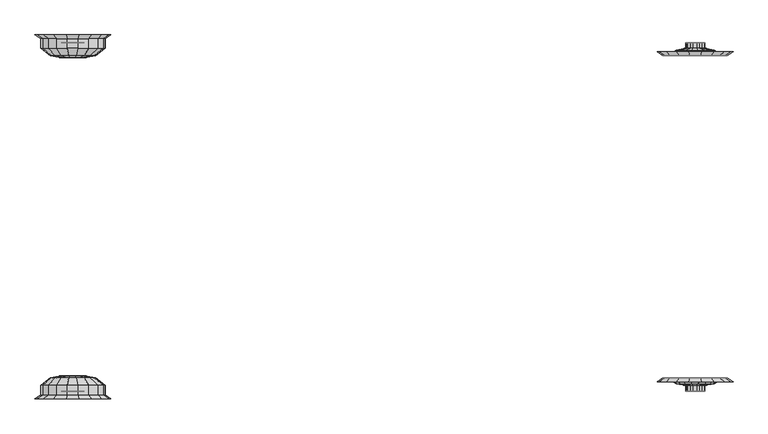
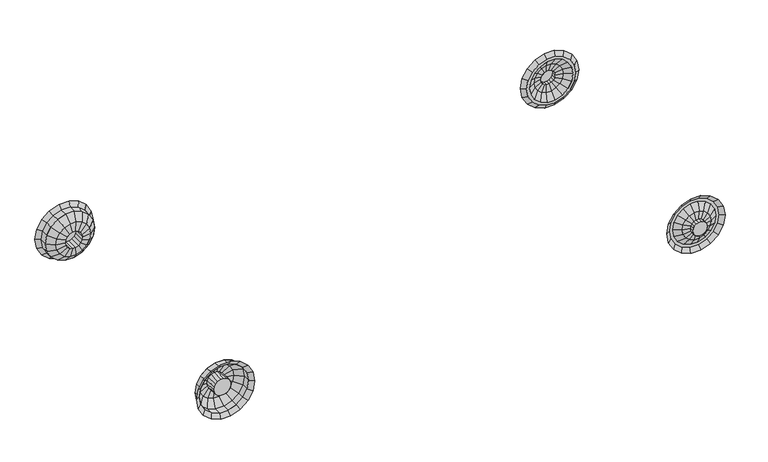
"""IFC4 building model written with IfcOpenShell, lengths in millimetres: proxy geometry."""

from ifc_helpers import new_model, si_unit, origin, place, context, project, spatial, triangles, source, transform, mapped, element, save


def entourage_7b92b9a3(model_context):
    return source(origin(), model_context, "Body", "Tessellation", [
        triangles([(-577.8500121, -1079.5000242, 558.6779629), (-565.1499879, -1079.5000242, 580.674985), (-507.711052, -1079.5000242, 532.4779633), (-527.1685853, -1079.5000242, 516.1511619), (-706.1799334, -1079.5000242, 581.3059785), (-710.5907106, -1079.5000242, 606.320113), (-635.6092409, -1079.5000242, 606.320113), (-640.0200182, -1079.5000242, 581.3059785), (-546.0999879, -1104.9, 613.6705364), (-478.5246795, -1104.9, 556.9681472), (-628.9933657, -1104.9, 643.8412966), (-717.2065859, -1104.9, 643.8412966), (-695.1532808, -1117.6000242, 518.7706967), (-651.0466707, -1117.6000242, 518.7706967), (-819.0314026, -1079.5000242, 516.1511619), (-838.4891539, -1079.5000242, 532.4779633), (-781.05, -1079.5000242, 580.674985), (-768.3499758, -1079.5000242, 558.6779629), (-867.6753084, -1104.9, 556.9681472), (-800.1, -1104.9, 613.6705364), (-684.1266283, -1168.3999758, 456.2353786), (-684.1266283, -1130.2999758, 456.2353786), (-662.0733232, -1130.2999758, 456.2353786), (-662.0733232, -1168.3999758, 456.2353786), (-624.4560699, -1168.3999758, 434.5171185), (-624.4560699, -1130.2999758, 434.5171185), (-613.4296354, -1130.2999758, 415.418357), (-613.4296354, -1168.3999758, 415.418357), (-641.3500242, -1168.3999758, 448.6927068), (-641.3500242, -1130.2999758, 448.6927068), (-721.7439543, -1168.3999758, 434.5171185), (-721.7439543, -1130.2999758, 434.5171185), (-704.85, -1130.2999758, 448.6927068), (-704.85, -1168.3999758, 448.6927068), (-575.8123458, -1117.6000242, 475.3341039), (-553.7590407, -1117.6000242, 437.1366534), (-609.6, -1117.6000242, 503.685353), (-609.6, -1168.3999758, 393.7000969), (-609.6, -1130.2999758, 393.7000969), (-613.4296354, -1130.2999758, 371.9818368), (-613.4296354, -1168.3999758, 371.9818368), (-673.0999758, -1168.3999758, 393.7000969), (-624.4560699, -1168.3999758, 352.8830752), (-624.4560699, -1130.2999758, 352.8830752), (-641.3500242, -1130.2999758, 338.707487), (-641.3500242, -1168.3999758, 338.707487), (-704.85, -1168.3999758, 338.707487), (-704.85, -1130.2999758, 338.707487), (-721.7439543, -1130.2999758, 352.8830752), (-721.7439543, -1168.3999758, 352.8830752), (-684.1266283, -1168.3999758, 331.1648151), (-684.1266283, -1130.2999758, 331.1648151), (-662.0733232, -1168.3999758, 331.1648151), (-662.0733232, -1130.2999758, 331.1648151), (-553.7590407, -1117.6000242, 350.2635404), (-575.8123458, -1117.6000242, 312.0660899), (-546.0999879, -1117.6000242, 393.7000969), (-482.6000121, -1079.5000242, 393.7000969), (-494.088446, -1079.5000242, 328.5452439), (-494.088446, -1079.5000242, 458.8549499), (-457.2, -1079.5000242, 393.7000969), (-419.1, -1104.9, 393.7000969), (-434.4180694, -1104.9, 306.8269838), (-470.2203172, -1079.5000242, 319.8579472), (-470.2203172, -1079.5000242, 467.5422466), (-434.4180694, -1104.9, 480.5731736), (-527.1685853, -1079.5000242, 271.2490683), (-507.711052, -1079.5000242, 254.9222487), (-565.1499879, -1079.5000242, 206.7252269), (-577.8500121, -1079.5000242, 228.7222491), (-640.0200182, -1079.5000242, 206.0942335), (-635.6092409, -1079.5000242, 181.080099), (-710.5907106, -1079.5000242, 181.080099), (-706.1799334, -1079.5000242, 206.0942335), (-628.9933657, -1104.9, 143.5589245), (-717.2065859, -1104.9, 143.5589245), (-651.0466707, -1117.6000242, 268.6295152), (-695.1532808, -1117.6000242, 268.6295152), (-546.0999879, -1104.9, 173.7296574), (-609.6, -1117.6000242, 283.7148771), (-478.5246795, -1104.9, 230.4320284), (-852.1115782, -1079.5000242, 328.5452439), (-875.9796707, -1079.5000242, 319.8579472), (-889.0000242, -1079.5000242, 393.7000969), (-863.5999758, -1079.5000242, 393.7000969), (-875.9796707, -1079.5000242, 467.5422466), (-852.1115782, -1079.5000242, 458.8549499), (-732.7703888, -1168.3999758, 371.9818368), (-732.7703888, -1130.2999758, 371.9818368), (-736.6000242, -1130.2999758, 393.7000969), (-736.6000242, -1168.3999758, 393.7000969), (-792.4409472, -1117.6000242, 350.2635404), (-800.1, -1117.6000242, 393.7000969), (-792.4409472, -1117.6000242, 437.1366534), (-732.7703888, -1130.2999758, 415.418357), (-732.7703888, -1168.3999758, 415.418357), (-911.7819185, -1104.9, 306.8269838), (-927.1000242, -1104.9, 393.7000969), (-911.7819185, -1104.9, 480.5731736), (-768.3499758, -1079.5000242, 228.7222491), (-781.05, -1079.5000242, 206.7252269), (-838.4891539, -1079.5000242, 254.9222487), (-819.0314026, -1079.5000242, 271.2490683), (-800.1, -1104.9, 173.7296574), (-867.6753084, -1104.9, 230.4320284), (-770.3876421, -1117.6000242, 312.0660899), (-736.6000242, -1117.6000242, 283.7148771), (-770.3876421, -1117.6000242, 475.3341039), (-736.6000242, -1117.6000242, 503.685353), (-4812.2362083, -1079.5000242, 543.7848312), (-4801.2092651, -1130.2999758, 606.320113), (-4730.7499031, -1130.2999758, 580.674985), (-4762.5, -1079.5000242, 525.6823388), (-4914.9, -1079.5000242, 525.6823388), (-4946.6498062, -1130.2999758, 580.674985), (-4876.1907349, -1130.2999758, 606.320113), (-4865.1637917, -1079.5000242, 543.7848312), (-4730.7499031, -1193.8000242, 580.674985), (-4711.6999031, -1219.2, 613.6705364), (-4644.1246674, -1219.2, 556.9681472), (-4673.3109673, -1193.8000242, 532.4779633), (-4801.2092651, -1193.8000242, 606.320113), (-4794.5933899, -1219.2, 643.8412966), (-4946.6498062, -1193.8000242, 580.674985), (-4965.6998062, -1219.2, 613.6705364), (-4882.8066101, -1219.2, 643.8412966), (-4876.1907349, -1193.8000242, 606.320113), (-5004.0893234, -1193.8000242, 532.4779633), (-5033.2753326, -1219.2, 556.9681472), (-4673.3109673, -1130.2999758, 532.4779633), (-5004.0893234, -1130.2999758, 532.4779633), (-4780.3276909, -1066.8, 442.6805374), (-4721.9548004, -1079.5000242, 491.6609416), (-4695.4910088, -1079.5000242, 445.8239502), (-4767.095359, -1066.8, 419.7620235), (-4762.5, -1066.8, 393.7000969), (-4686.3, -1079.5000242, 393.7000969), (-4695.4910088, -1079.5000242, 341.5762073), (-4767.095359, -1066.8, 367.6381702), (-4838.7, -1168.3999758, 393.7000969), (-4762.5, -1168.3999758, 393.7000969), (-4767.095359, -1168.3999758, 367.6381702), (-4800.6, -1168.3999758, 327.7089578), (-4825.4679588, -1168.3999758, 318.6577661), (-4780.3276909, -1168.3999758, 344.7196927), (-4767.095359, -1168.3999758, 419.7620235), (-4780.3276909, -1168.3999758, 442.6805374), (-4800.6, -1168.3999758, 459.691236), (-4825.4679588, -1168.3999758, 468.7424641), (-4800.6, -1066.8, 327.7089578), (-4825.4679588, -1066.8, 318.6577661), (-4780.3276909, -1066.8, 344.7196927), (-4622.8000969, -1130.2999758, 393.7000969), (-4635.8205231, -1130.2999758, 319.8579472), (-4635.8205231, -1130.2999758, 467.5422466), (-4800.6, -1066.8, 459.691236), (-4825.4679588, -1066.8, 468.7424641), (-4762.5, -1079.5000242, 261.7178368), (-4730.7499031, -1130.2999758, 206.7252269), (-4801.2092651, -1130.2999758, 181.080099), (-4812.2362083, -1079.5000242, 243.6153807), (-4721.9548004, -1079.5000242, 295.7392704), (-4673.3109673, -1130.2999758, 254.9222487), (-4910.3043503, -1066.8, 419.7620235), (-4981.9092819, -1079.5000242, 445.8239502), (-4955.4451996, -1079.5000242, 491.6609416), (-4897.0725998, -1066.8, 442.6805374), (-4910.3043503, -1066.8, 367.6381702), (-4981.9092819, -1079.5000242, 341.5762073), (-4991.1, -1079.5000242, 393.7000969), (-4914.9, -1066.8, 393.7000969), (-5041.5794769, -1130.2999758, 319.8579472), (-5054.6001938, -1130.2999758, 393.7000969), (-4910.3043503, -1168.3999758, 367.6381702), (-4914.9, -1168.3999758, 393.7000969), (-4897.0725998, -1168.3999758, 344.7196927), (-4897.0725998, -1066.8, 344.7196927), (-4876.8, -1168.3999758, 327.7089578), (-4876.8, -1066.8, 327.7089578), (-4851.9320412, -1168.3999758, 318.6577661), (-4851.9320412, -1066.8, 318.6577661), (-4876.8, -1168.3999758, 459.691236), (-4876.8, -1066.8, 459.691236), (-4851.9320412, -1066.8, 468.7424641), (-4851.9320412, -1168.3999758, 468.7424641), (-4897.0725998, -1168.3999758, 442.6805374), (-4910.3043503, -1168.3999758, 419.7620235), (-5041.5794769, -1130.2999758, 467.5422466), (-4914.9, -1079.5000242, 261.7178368), (-4946.6498062, -1130.2999758, 206.7252269), (-5004.0893234, -1130.2999758, 254.9222487), (-4955.4451996, -1079.5000242, 295.7392704), (-4865.1637917, -1079.5000242, 243.6153807), (-4876.1907349, -1130.2999758, 181.080099), (-4622.8000969, -1193.8000242, 393.7000969), (-4584.7000969, -1219.2, 393.7000969), (-4600.0180573, -1219.2, 306.8269838), (-4635.8205231, -1193.8000242, 319.8579472), (-4635.8205231, -1193.8000242, 467.5422466), (-4600.0180573, -1219.2, 480.5731736), (-4730.7499031, -1193.8000242, 206.7252269), (-4711.6999031, -1219.2, 173.7296755), (-4794.5933899, -1219.2, 143.5589335), (-4801.2092651, -1193.8000242, 181.0801171), (-4673.3109673, -1193.8000242, 254.9222487), (-4644.1246674, -1219.2, 230.4320284), (-5041.5794769, -1193.8000242, 319.8579472), (-5077.3819427, -1219.2, 306.8269838), (-5092.7001938, -1219.2, 393.7000969), (-5054.6001938, -1193.8000242, 393.7000969), (-5077.3819427, -1219.2, 480.5731736), (-5041.5794769, -1193.8000242, 467.5422466), (-4946.6498062, -1193.8000242, 206.7252269), (-4965.6998062, -1219.2, 173.7296755), (-5033.2753326, -1219.2, 230.4320284), (-5004.0893234, -1193.8000242, 254.9222487), (-4876.1907349, -1193.8000242, 181.0801171), (-4882.8066101, -1219.2, 143.5589335), (-565.1499879, 1079.5000242, 580.674767), (-577.8500121, 1079.5000242, 558.6777812), (-507.711052, 1079.5000242, 532.4777816), (-527.1685853, 1079.5000242, 516.1509439), (-710.5907106, 1079.5000242, 606.3199313), (-706.1799334, 1079.5000242, 581.3057968), (-635.6092409, 1079.5000242, 606.3199313), (-640.0200182, 1079.5000242, 581.3057968), (-546.0999879, 1104.9, 613.6703184), (-478.5246795, 1104.9, 556.9679292), (-628.9933657, 1104.9, 643.8410786), (-717.2065859, 1104.9, 643.8410786), (-695.1532808, 1117.6000242, 518.7705151), (-651.0466707, 1117.6000242, 518.7705151), (-838.4891539, 1079.5000242, 532.4777816), (-819.0314026, 1079.5000242, 516.1509439), (-781.05, 1079.5000242, 580.674767), (-768.3499758, 1079.5000242, 558.6777812), (-867.6753084, 1104.9, 556.9679292), (-800.1, 1104.9, 613.6703184), (-684.1266283, 1130.2999758, 456.235197), (-684.1266283, 1168.3999758, 456.235197), (-662.0733232, 1130.2999758, 456.235197), (-662.0733232, 1168.3999758, 456.235197), (-624.4560699, 1130.2999758, 434.5169369), (-624.4560699, 1168.3999758, 434.5169369), (-613.4296354, 1130.2999758, 415.418139), (-613.4296354, 1168.3999758, 415.418139), (-641.3500242, 1130.2999758, 448.6925251), (-641.3500242, 1168.3999758, 448.6925251), (-721.7439543, 1130.2999758, 434.5169369), (-721.7439543, 1168.3999758, 434.5169369), (-704.85, 1130.2999758, 448.6925251), (-704.85, 1168.3999758, 448.6925251), (-575.8123458, 1117.6000242, 475.3339222), (-553.7590407, 1117.6000242, 437.1364354), (-609.6, 1117.6000242, 503.685135), (-609.6, 1130.2999758, 393.6999152), (-609.6, 1168.3999758, 393.6999152), (-613.4296354, 1130.2999758, 371.9816188), (-613.4296354, 1168.3999758, 371.9816188), (-673.0999758, 1168.3999758, 393.6999152), (-624.4560699, 1130.2999758, 352.8828936), (-624.4560699, 1168.3999758, 352.8828936), (-641.3500242, 1130.2999758, 338.707269), (-641.3500242, 1168.3999758, 338.707269), (-704.85, 1130.2999758, 338.707269), (-704.85, 1168.3999758, 338.707269), (-721.7439543, 1130.2999758, 352.8828936), (-721.7439543, 1168.3999758, 352.8828936), (-684.1266283, 1130.2999758, 331.1646335), (-684.1266283, 1168.3999758, 331.1646335), (-662.0733232, 1130.2999758, 331.1646335), (-662.0733232, 1168.3999758, 331.1646335), (-553.7590407, 1117.6000242, 350.2633224), (-575.8123458, 1117.6000242, 312.0658719), (-546.0999879, 1117.6000242, 393.6999152), (-482.6000121, 1079.5000242, 393.6999152), (-494.088446, 1079.5000242, 328.5450623), (-494.088446, 1079.5000242, 458.8547318), (-419.1, 1104.9, 393.6999152), (-457.2, 1079.5000242, 393.6999152), (-434.4180694, 1104.9, 306.8268022), (-470.2203172, 1079.5000242, 319.8577655), (-434.4180694, 1104.9, 480.5729919), (-470.2203172, 1079.5000242, 467.542065), (-507.711052, 1079.5000242, 254.922067), (-527.1685853, 1079.5000242, 271.2488684), (-565.1499879, 1079.5000242, 206.7250271), (-577.8500121, 1079.5000242, 228.7220674), (-635.6092409, 1079.5000242, 181.0799173), (-640.0200182, 1079.5000242, 206.0940336), (-710.5907106, 1079.5000242, 181.0799173), (-706.1799334, 1079.5000242, 206.0940336), (-628.9933657, 1104.9, 143.5587246), (-717.2065859, 1104.9, 143.5587246), (-651.0466707, 1117.6000242, 268.6293154), (-695.1532808, 1117.6000242, 268.6293154), (-546.0999879, 1104.9, 173.7294575), (-609.6, 1117.6000242, 283.7146773), (-478.5246795, 1104.9, 230.4318468), (-875.9796707, 1079.5000242, 319.8577655), (-852.1115782, 1079.5000242, 328.5450623), (-889.0000242, 1079.5000242, 393.6999152), (-863.5999758, 1079.5000242, 393.6999152), (-875.9796707, 1079.5000242, 467.542065), (-852.1115782, 1079.5000242, 458.8547318), (-732.7703888, 1130.2999758, 371.9816188), (-732.7703888, 1168.3999758, 371.9816188), (-736.6000242, 1130.2999758, 393.6999152), (-736.6000242, 1168.3999758, 393.6999152), (-792.4409472, 1117.6000242, 350.2633224), (-800.1, 1117.6000242, 393.6999152), (-792.4409472, 1117.6000242, 437.1364354), (-732.7703888, 1130.2999758, 415.418139), (-732.7703888, 1168.3999758, 415.418139), (-911.7819185, 1104.9, 306.8268022), (-927.1000242, 1104.9, 393.6999152), (-911.7819185, 1104.9, 480.5729919), (-781.05, 1079.5000242, 206.7250271), (-768.3499758, 1079.5000242, 228.7220674), (-838.4891539, 1079.5000242, 254.922067), (-819.0314026, 1079.5000242, 271.2488684), (-800.1, 1104.9, 173.7294575), (-867.6753084, 1104.9, 230.4318468), (-770.3876421, 1117.6000242, 312.0658719), (-736.6000242, 1117.6000242, 283.7146773), (-770.3876421, 1117.6000242, 475.3339222), (-736.6000242, 1117.6000242, 503.685135), (-4801.2092651, 1130.2999758, 606.3199313), (-4812.2362083, 1079.5000242, 543.7846496), (-4730.7499031, 1130.2999758, 580.674767), (-4762.5, 1079.5000242, 525.6821571), (-4946.6498062, 1130.2999758, 580.674767), (-4914.9, 1079.5000242, 525.6821571), (-4876.1907349, 1130.2999758, 606.3199313), (-4865.1637917, 1079.5000242, 543.7846496), (-4711.6999031, 1219.2, 613.6703184), (-4730.7499031, 1193.8000242, 580.674767), (-4644.1246674, 1219.2, 556.9679292), (-4673.3109673, 1193.8000242, 532.4777816), (-4794.5933899, 1219.2, 643.8410786), (-4801.2092651, 1193.8000242, 606.3199313), (-4965.6998062, 1219.2, 613.6703184), (-4946.6498062, 1193.8000242, 580.674767), (-4882.8066101, 1219.2, 643.8410786), (-4876.1907349, 1193.8000242, 606.3199313), (-5033.2753326, 1219.2, 556.9679292), (-5004.0893234, 1193.8000242, 532.4777816), (-4673.3109673, 1130.2999758, 532.4777816), (-5004.0893234, 1130.2999758, 532.4777816), (-4721.9548004, 1079.5000242, 491.6607236), (-4780.3276909, 1066.8, 442.6803557), (-4695.4910088, 1079.5000242, 445.8237685), (-4767.095359, 1066.8, 419.7618419), (-4686.3, 1079.5000242, 393.6999152), (-4762.5, 1066.8, 393.6999152), (-4695.4910088, 1079.5000242, 341.5760256), (-4767.095359, 1066.8, 367.6379886), (-4762.5, 1168.3999758, 393.6999152), (-4838.7, 1168.3999758, 393.6999152), (-4767.095359, 1168.3999758, 367.6379886), (-4800.6, 1168.3999758, 327.7087761), (-4825.4679588, 1168.3999758, 318.657548), (-4780.3276909, 1168.3999758, 344.7194747), (-4767.095359, 1168.3999758, 419.7618419), (-4780.3276909, 1168.3999758, 442.6803557), (-4800.6, 1168.3999758, 459.691018), (-4825.4679588, 1168.3999758, 468.7422824), (-4800.6, 1066.8, 327.7087761), (-4825.4679588, 1066.8, 318.657548), (-4780.3276909, 1066.8, 344.7194747), (-4622.8000969, 1130.2999758, 393.6999152), (-4635.8205231, 1130.2999758, 319.8577655), (-4635.8205231, 1130.2999758, 467.542065), (-4800.6, 1066.8, 459.691018), (-4825.4679588, 1066.8, 468.7422824), (-4730.7499031, 1130.2999758, 206.7250271), (-4762.5, 1079.5000242, 261.7176551), (-4801.2092651, 1130.2999758, 181.0799173), (-4812.2362083, 1079.5000242, 243.615199), (-4673.3109673, 1130.2999758, 254.922067), (-4721.9548004, 1079.5000242, 295.7390705), (-4981.9092819, 1079.5000242, 445.8237685), (-4910.3043503, 1066.8, 419.7618419), (-4955.4451996, 1079.5000242, 491.6607236), (-4897.0725998, 1066.8, 442.6803557), (-4981.9092819, 1079.5000242, 341.5760256), (-4910.3043503, 1066.8, 367.6379886), (-4991.1, 1079.5000242, 393.6999152), (-4914.9, 1066.8, 393.6999152), (-5041.5794769, 1130.2999758, 319.8577655), (-5054.6001938, 1130.2999758, 393.6999152), (-4910.3043503, 1168.3999758, 367.6379886), (-4914.9, 1168.3999758, 393.6999152), (-4897.0725998, 1066.8, 344.7194747), (-4897.0725998, 1168.3999758, 344.7194747), (-4876.8, 1066.8, 327.7087761), (-4876.8, 1168.3999758, 327.7087761), (-4851.9320412, 1066.8, 318.657548), (-4851.9320412, 1168.3999758, 318.657548), (-4876.8, 1066.8, 459.691018), (-4876.8, 1168.3999758, 459.691018), (-4851.9320412, 1066.8, 468.7422824), (-4851.9320412, 1168.3999758, 468.7422824), (-4897.0725998, 1168.3999758, 442.6803557), (-4910.3043503, 1168.3999758, 419.7618419), (-5041.5794769, 1130.2999758, 467.542065), (-4946.6498062, 1130.2999758, 206.7250271), (-4914.9, 1079.5000242, 261.7176551), (-5004.0893234, 1130.2999758, 254.922067), (-4955.4451996, 1079.5000242, 295.7390705), (-4876.1907349, 1130.2999758, 181.0799173), (-4865.1637917, 1079.5000242, 243.615199), (-4584.7000969, 1219.2, 393.6999152), (-4622.8000969, 1193.8000242, 393.6999152), (-4600.0180573, 1219.2, 306.8268022), (-4635.8205231, 1193.8000242, 319.8577655), (-4600.0180573, 1219.2, 480.5729919), (-4635.8205231, 1193.8000242, 467.542065), (-4711.6999031, 1219.2, 173.7294575), (-4730.7499031, 1193.8000242, 206.7250271), (-4794.5933899, 1219.2, 143.5587155), (-4801.2092651, 1193.8000242, 181.0798991), (-4644.1246674, 1219.2, 230.4318468), (-4673.3109673, 1193.8000242, 254.922067), (-5077.3819427, 1219.2, 306.8268022), (-5041.5794769, 1193.8000242, 319.8577655), (-5092.7001938, 1219.2, 393.6999152), (-5054.6001938, 1193.8000242, 393.6999152), (-5077.3819427, 1219.2, 480.5729919), (-5041.5794769, 1193.8000242, 467.542065), (-4965.6998062, 1219.2, 173.7294575), (-4946.6498062, 1193.8000242, 206.7250271), (-5033.2753326, 1219.2, 230.4318468), (-5004.0893234, 1193.8000242, 254.922067), (-4882.8066101, 1219.2, 143.5587155), (-4876.1907349, 1193.8000242, 181.0798991)], [[1, 2, 3], [3, 4, 1], [5, 6, 7], [7, 8, 5], [8, 7, 2], [2, 1, 8], [2, 9, 10], [10, 3, 2], [7, 11, 9], [9, 2, 7], [6, 12, 11], [11, 7, 6], [13, 5, 8], [8, 14, 13], [15, 16, 17], [17, 18, 15], [16, 19, 20], [20, 17, 16], [17, 20, 12], [12, 6, 17], [18, 17, 6], [6, 5, 18], [21, 22, 23], [23, 24, 21], [25, 26, 27], [27, 28, 25], [29, 30, 26], [26, 25, 29], [31, 32, 33], [33, 34, 31], [24, 23, 30], [30, 29, 24], [34, 33, 22], [22, 21, 34], [26, 35, 36], [36, 27, 26], [30, 37, 35], [35, 26, 30], [38, 39, 40], [40, 41, 38], [42, 38, 41], [43, 44, 45], [45, 46, 43], [47, 48, 49], [49, 50, 47], [51, 52, 48], [48, 47, 51], [53, 54, 52], [52, 51, 53], [46, 45, 54], [54, 53, 46], [42, 47, 50], [42, 51, 47], [42, 53, 51], [42, 46, 53], [42, 43, 46], [41, 40, 44], [44, 43, 41], [42, 41, 43], [40, 55, 56], [56, 44, 40], [39, 57, 55], [55, 40, 39], [27, 36, 57], [57, 39, 27], [28, 27, 39], [39, 38, 28], [42, 28, 38], [42, 25, 28], [42, 29, 25], [42, 24, 29], [42, 21, 24], [42, 34, 21], [42, 31, 34], [57, 58, 59], [59, 55, 57], [36, 60, 58], [58, 57, 36], [61, 62, 63], [63, 64, 61], [58, 61, 64], [64, 59, 58], [65, 66, 62], [62, 61, 65], [60, 65, 61], [61, 58, 60], [67, 68, 69], [69, 70, 67], [71, 72, 73], [73, 74, 71], [70, 69, 72], [72, 71, 70], [72, 75, 76], [76, 73, 72], [77, 71, 74], [74, 78, 77], [69, 79, 75], [75, 72, 69], [80, 70, 71], [71, 77, 80], [68, 81, 79], [79, 69, 68], [54, 77, 78], [78, 52, 54], [45, 80, 77], [77, 54, 45], [56, 67, 70], [70, 80, 56], [44, 56, 80], [80, 45, 44], [64, 63, 81], [81, 68, 64], [59, 64, 68], [68, 67, 59], [55, 59, 67], [67, 56, 55], [82, 83, 84], [84, 85, 82], [85, 84, 86], [86, 87, 85], [88, 89, 90], [90, 91, 88], [89, 92, 93], [93, 90, 89], [90, 93, 94], [94, 95, 90], [91, 90, 95], [95, 96, 91], [83, 97, 98], [98, 84, 83], [92, 82, 85], [85, 93, 92], [84, 98, 99], [99, 86, 84], [93, 85, 87], [87, 94, 93], [100, 101, 102], [102, 103, 100], [101, 104, 105], [105, 102, 101], [102, 105, 97], [97, 83, 102], [103, 102, 83], [83, 82, 103], [106, 103, 82], [82, 92, 106], [107, 100, 103], [103, 106, 107], [42, 88, 91], [49, 106, 92], [92, 89, 49], [50, 49, 89], [89, 88, 50], [42, 50, 88], [48, 107, 106], [106, 49, 48], [73, 76, 104], [104, 101, 73], [74, 73, 101], [101, 100, 74], [78, 74, 100], [100, 107, 78], [52, 78, 107], [107, 48, 52], [32, 108, 109], [109, 33, 32], [95, 94, 108], [108, 32, 95], [96, 95, 32], [32, 31, 96], [42, 96, 31], [42, 91, 96], [3, 10, 66], [66, 65, 3], [4, 3, 65], [65, 60, 4], [35, 4, 60], [60, 36, 35], [37, 1, 4], [4, 35, 37], [14, 8, 1], [1, 37, 14], [23, 14, 37], [37, 30, 23], [22, 13, 14], [14, 23, 22], [109, 18, 5], [5, 13, 109], [33, 109, 13], [13, 22, 33], [108, 15, 18], [18, 109, 108], [86, 99, 19], [19, 16, 86], [87, 86, 16], [16, 15, 87], [94, 87, 15], [15, 108, 94], [110, 111, 112], [112, 113, 110], [114, 115, 116], [116, 117, 114], [117, 116, 111], [111, 110, 117], [118, 119, 120], [120, 121, 118], [122, 123, 119], [119, 118, 122], [124, 125, 126], [126, 127, 124], [128, 129, 125], [125, 124, 128], [127, 126, 123], [123, 122, 127], [112, 118, 121], [121, 130, 112], [111, 122, 118], [118, 112, 111], [116, 127, 122], [122, 111, 116], [115, 124, 127], [127, 116, 115], [131, 128, 124], [124, 115, 131], [132, 133, 134], [134, 135, 132], [136, 137, 138], [138, 139, 136], [135, 134, 137], [137, 136, 135], [140, 141, 142], [140, 143, 144], [140, 145, 143], [140, 142, 145], [140, 146, 141], [140, 147, 146], [140, 148, 147], [140, 149, 148], [143, 150, 151], [151, 144, 143], [145, 152, 150], [150, 143, 145], [142, 139, 152], [152, 145, 142], [137, 153, 154], [154, 138, 137], [141, 136, 139], [139, 142, 141], [134, 155, 153], [153, 137, 134], [146, 135, 136], [136, 141, 146], [147, 132, 135], [135, 146, 147], [148, 156, 132], [132, 147, 148], [149, 157, 156], [156, 148, 149], [158, 159, 160], [160, 161, 158], [162, 163, 159], [159, 158, 162], [150, 158, 161], [161, 151, 150], [152, 162, 158], [158, 150, 152], [138, 154, 163], [163, 162, 138], [139, 138, 162], [162, 152, 139], [164, 165, 166], [166, 167, 164], [168, 169, 170], [170, 171, 168], [171, 170, 165], [165, 164, 171], [169, 172, 173], [173, 170, 169], [174, 168, 171], [171, 175, 174], [176, 177, 168], [168, 174, 176], [178, 179, 177], [177, 176, 178], [180, 181, 179], [179, 178, 180], [182, 183, 184], [184, 185, 182], [186, 167, 183], [183, 182, 186], [187, 164, 167], [167, 186, 187], [170, 173, 188], [188, 165, 170], [175, 171, 164], [164, 187, 175], [189, 190, 191], [191, 192, 189], [193, 194, 190], [190, 189, 193], [192, 191, 172], [172, 169, 192], [177, 192, 169], [169, 168, 177], [179, 189, 192], [192, 177, 179], [181, 193, 189], [189, 179, 181], [140, 174, 175], [140, 176, 174], [140, 178, 176], [140, 180, 178], [161, 160, 194], [194, 193, 161], [151, 161, 193], [193, 181, 151], [144, 151, 181], [181, 180, 144], [140, 144, 180], [185, 184, 157], [157, 149, 185], [140, 185, 149], [140, 182, 185], [140, 186, 182], [140, 187, 186], [140, 175, 187], [195, 196, 197], [197, 198, 195], [199, 200, 196], [196, 195, 199], [201, 202, 203], [203, 204, 201], [205, 206, 202], [202, 201, 205], [198, 197, 206], [206, 205, 198], [207, 208, 209], [209, 210, 207], [210, 209, 211], [211, 212, 210], [213, 214, 215], [215, 216, 213], [217, 218, 214], [214, 213, 217], [216, 215, 208], [208, 207, 216], [204, 203, 218], [218, 217, 204], [172, 207, 210], [210, 173, 172], [191, 216, 207], [207, 172, 191], [190, 213, 216], [216, 191, 190], [194, 217, 213], [213, 190, 194], [160, 204, 217], [217, 194, 160], [159, 201, 204], [204, 160, 159], [163, 205, 201], [201, 159, 163], [154, 198, 205], [205, 163, 154], [153, 195, 198], [198, 154, 153], [155, 199, 195], [195, 153, 155], [173, 210, 212], [212, 188, 173], [121, 120, 200], [200, 199, 121], [130, 121, 199], [199, 155, 130], [133, 130, 155], [155, 134, 133], [113, 112, 130], [130, 133, 113], [156, 113, 133], [133, 132, 156], [157, 110, 113], [113, 156, 157], [184, 117, 110], [110, 157, 184], [183, 114, 117], [117, 184, 183], [166, 131, 115], [115, 114, 166], [167, 166, 114], [114, 183, 167], [212, 211, 129], [129, 128, 212], [188, 212, 128], [128, 131, 188], [165, 188, 131], [131, 166, 165], [219, 220, 221], [222, 221, 220], [223, 224, 225], [226, 225, 224], [225, 226, 219], [220, 219, 226], [227, 219, 228], [221, 228, 219], [229, 225, 227], [219, 227, 225], [230, 223, 229], [225, 229, 223], [224, 231, 226], [232, 226, 231], [233, 234, 235], [236, 235, 234], [237, 233, 238], [235, 238, 233], [238, 235, 230], [223, 230, 235], [235, 236, 223], [224, 223, 236], [239, 240, 241], [242, 241, 240], [243, 244, 245], [246, 245, 244], [247, 248, 243], [244, 243, 248], [249, 250, 251], [252, 251, 250], [241, 242, 247], [248, 247, 242], [251, 252, 239], [240, 239, 252], [253, 243, 254], [245, 254, 243], [255, 247, 253], [243, 253, 247], [256, 257, 258], [259, 258, 257], [257, 260, 259], [261, 262, 263], [264, 263, 262], [265, 266, 267], [268, 267, 266], [269, 270, 265], [266, 265, 270], [271, 272, 269], [270, 269, 272], [263, 264, 271], [272, 271, 264], [266, 260, 268], [270, 260, 266], [272, 260, 270], [264, 260, 272], [262, 260, 264], [258, 259, 261], [262, 261, 259], [259, 260, 262], [273, 258, 274], [261, 274, 258], [275, 256, 273], [258, 273, 256], [254, 245, 275], [256, 275, 245], [245, 246, 256], [257, 256, 246], [246, 260, 257], [244, 260, 246], [248, 260, 244], [242, 260, 248], [240, 260, 242], [252, 260, 240], [250, 260, 252], [276, 275, 277], [273, 277, 275], [278, 254, 276], [275, 276, 254], [279, 280, 281], [282, 281, 280], [280, 276, 282], [277, 282, 276], [283, 284, 279], [280, 279, 284], [284, 278, 280], [276, 280, 278], [285, 286, 287], [288, 287, 286], [289, 290, 291], [292, 291, 290], [287, 288, 289], [290, 289, 288], [293, 289, 294], [291, 294, 289], [290, 295, 292], [296, 292, 295], [297, 287, 293], [289, 293, 287], [288, 298, 290], [295, 290, 298], [299, 285, 297], [287, 297, 285], [295, 271, 296], [269, 296, 271], [298, 263, 295], [271, 295, 263], [286, 274, 288], [298, 288, 274], [274, 261, 298], [263, 298, 261], [281, 282, 299], [285, 299, 282], [282, 277, 285], [286, 285, 277], [277, 273, 286], [274, 286, 273], [300, 301, 302], [303, 302, 301], [302, 303, 304], [305, 304, 303], [306, 307, 308], [309, 308, 307], [310, 306, 311], [308, 311, 306], [311, 308, 312], [313, 312, 308], [308, 309, 313], [314, 313, 309], [315, 300, 316], [302, 316, 300], [301, 310, 303], [311, 303, 310], [316, 302, 317], [304, 317, 302], [303, 311, 305], [312, 305, 311], [318, 319, 320], [321, 320, 319], [322, 318, 323], [320, 323, 318], [323, 320, 315], [300, 315, 320], [320, 321, 300], [301, 300, 321], [321, 324, 301], [310, 301, 324], [319, 325, 321], [324, 321, 325], [307, 260, 309], [324, 267, 310], [306, 310, 267], [267, 268, 306], [307, 306, 268], [268, 260, 307], [325, 265, 324], [267, 324, 265], [294, 291, 322], [318, 322, 291], [291, 292, 318], [319, 318, 292], [292, 296, 319], [325, 319, 296], [296, 269, 325], [265, 325, 269], [326, 249, 327], [251, 327, 249], [312, 313, 326], [249, 326, 313], [313, 314, 249], [250, 249, 314], [314, 260, 250], [309, 260, 314], [228, 221, 283], [284, 283, 221], [221, 222, 284], [278, 284, 222], [222, 253, 278], [254, 278, 253], [220, 255, 222], [253, 222, 255], [226, 232, 220], [255, 220, 232], [232, 241, 255], [247, 255, 241], [231, 239, 232], [241, 232, 239], [236, 327, 224], [231, 224, 327], [327, 251, 231], [239, 231, 251], [234, 326, 236], [327, 236, 326], [317, 304, 237], [233, 237, 304], [304, 305, 233], [234, 233, 305], [305, 312, 234], [326, 234, 312], [328, 329, 330], [331, 330, 329], [332, 333, 334], [335, 334, 333], [334, 335, 328], [329, 328, 335], [336, 337, 338], [339, 338, 337], [340, 341, 336], [337, 336, 341], [342, 343, 344], [345, 344, 343], [346, 347, 342], [343, 342, 347], [344, 345, 340], [341, 340, 345], [337, 330, 339], [348, 339, 330], [341, 328, 337], [330, 337, 328], [345, 334, 341], [328, 341, 334], [343, 332, 345], [334, 345, 332], [347, 349, 343], [332, 343, 349], [350, 351, 352], [353, 352, 351], [354, 355, 356], [357, 356, 355], [352, 353, 354], [355, 354, 353], [358, 359, 360], [361, 359, 362], [363, 359, 361], [360, 359, 363], [364, 359, 358], [365, 359, 364], [366, 359, 365], [367, 359, 366], [368, 361, 369], [362, 369, 361], [370, 363, 368], [361, 368, 363], [357, 360, 370], [363, 370, 360], [371, 354, 372], [356, 372, 354], [355, 358, 357], [360, 357, 358], [373, 352, 371], [354, 371, 352], [353, 364, 355], [358, 355, 364], [351, 365, 353], [364, 353, 365], [374, 366, 351], [365, 351, 366], [375, 367, 374], [366, 374, 367], [376, 377, 378], [379, 378, 377], [380, 381, 376], [377, 376, 381], [377, 368, 379], [369, 379, 368], [381, 370, 377], [368, 377, 370], [372, 356, 380], [381, 380, 356], [356, 357, 381], [370, 381, 357], [382, 383, 384], [385, 384, 383], [386, 387, 388], [389, 388, 387], [388, 389, 382], [383, 382, 389], [390, 386, 391], [388, 391, 386], [387, 392, 389], [393, 389, 392], [394, 395, 387], [392, 387, 395], [396, 397, 394], [395, 394, 397], [398, 399, 396], [397, 396, 399], [400, 401, 402], [403, 402, 401], [385, 404, 400], [401, 400, 404], [383, 405, 385], [404, 385, 405], [391, 388, 406], [382, 406, 388], [389, 393, 383], [405, 383, 393], [407, 408, 409], [410, 409, 408], [411, 412, 407], [408, 407, 412], [409, 410, 390], [386, 390, 410], [410, 394, 386], [387, 386, 394], [408, 396, 410], [394, 410, 396], [412, 398, 408], [396, 408, 398], [392, 359, 393], [395, 359, 392], [397, 359, 395], [399, 359, 397], [378, 379, 411], [412, 411, 379], [379, 369, 412], [398, 412, 369], [369, 362, 398], [399, 398, 362], [362, 359, 399], [402, 403, 375], [367, 375, 403], [403, 359, 367], [401, 359, 403], [404, 359, 401], [405, 359, 404], [393, 359, 405], [413, 414, 415], [416, 415, 414], [417, 418, 413], [414, 413, 418], [419, 420, 421], [422, 421, 420], [423, 424, 419], [420, 419, 424], [415, 416, 423], [424, 423, 416], [425, 426, 427], [428, 427, 426], [427, 428, 429], [430, 429, 428], [431, 432, 433], [434, 433, 432], [435, 436, 431], [432, 431, 436], [433, 434, 425], [426, 425, 434], [421, 422, 435], [436, 435, 422], [426, 390, 428], [391, 428, 390], [434, 409, 426], [390, 426, 409], [432, 407, 434], [409, 434, 407], [436, 411, 432], [407, 432, 411], [422, 378, 436], [411, 436, 378], [420, 376, 422], [378, 422, 376], [424, 380, 420], [376, 420, 380], [416, 372, 424], [380, 424, 372], [414, 371, 416], [372, 416, 371], [418, 373, 414], [371, 414, 373], [428, 391, 430], [406, 430, 391], [338, 339, 417], [418, 417, 339], [339, 348, 418], [373, 418, 348], [348, 350, 373], [352, 373, 350], [330, 331, 348], [350, 348, 331], [331, 374, 350], [351, 350, 374], [329, 375, 331], [374, 331, 375], [335, 402, 329], [375, 329, 402], [333, 400, 335], [402, 335, 400], [349, 384, 332], [333, 332, 384], [384, 385, 333], [400, 333, 385], [429, 430, 346], [347, 346, 430], [430, 406, 347], [349, 347, 406], [406, 382, 349], [384, 349, 382]], closed=False),
    ])


if __name__ == "__main__":
    model = new_model("IFC4")
    model_context = context("Model", 3, world=origin())
    ifc_project = project(units=[si_unit("LENGTHUNIT", "METRE", prefix="MILLI")], contexts=[model_context])
    site = spatial("IfcSite", under=ifc_project)
    building = spatial("IfcBuilding", under=site)
    placement = place(None, origin())
    entourage_shape = entourage_7b92b9a3(model_context)
    element("IfcBuildingElementProxy", 1, Name="Entourage", at=placement, inside=building, context=model_context, shape_type="MappedRepresentation", body=[
        mapped(entourage_shape, transform((0.0, 0.0, 0.0), x_axis=(1.0, 0.0, 0.0), y_axis=(0.0, 1.0, 0.0), z_axis=(0.0, 0.0, 1.0))),
    ])
    save(model, "model.ifc")
